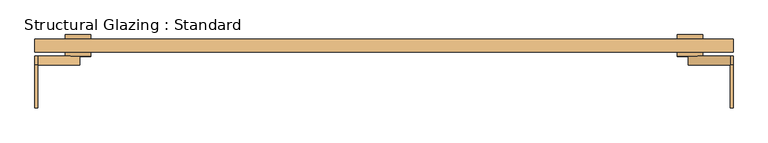
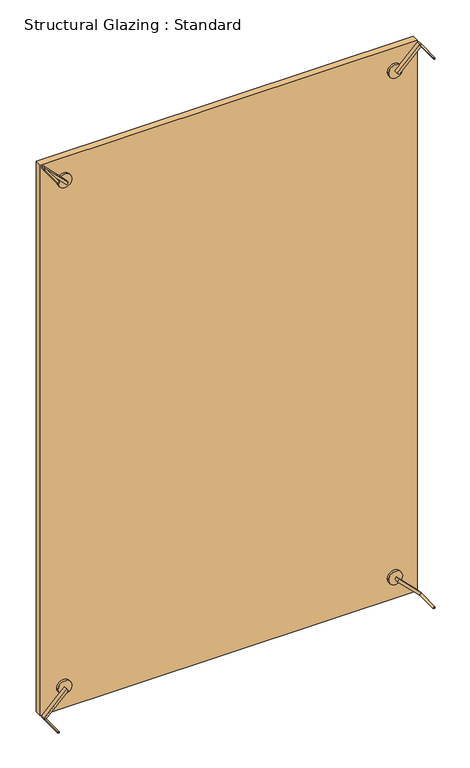
"""IFC4 building model written with IfcOpenShell, lengths in millimetres: door geometry, Structural Glazing : Standard."""

from ifc_helpers import new_model, si_unit, point, frame, frame_2d, origin, origin_with_axes, place, context, project, spatial, polyline, circle_curve, trimmed, segment, composite_curve, outline, extrude, source, transform, mapped, element, save


def structural_glazing_standard_7a084032(model_context):
    return source(origin(), model_context, "Body", "SweptSolid", [
        extrude(outline(composite_curve([segment(trimmed(circle_curve(frame_2d((100.0, 710.0)), 30.0), [point((100.0, 680.0))], [point((100.0, 740.0))], False, "CARTESIAN"), True, "CONTINUOUS"), segment(trimmed(circle_curve(frame_2d((100.0, 710.0)), 30.0), [point((100.0, 740.0))], [point((100.0, 680.0))], False, "CARTESIAN"), True, "CONTINUOUS")], self_intersect=False)), frame((0.0, -38.9615014, 0.0), z_axis=(0.0, 1.0, 0.0), x_axis=(0.0, 0.0, 1.0)), (0.0, 0.0, 1.0), 10.0),
        extrude(outline(composite_curve([segment(trimmed(circle_curve(frame_2d((100.0, -710.0)), 30.0), [point((100.0, -740.0))], [point((100.0, -680.0))], False, "CARTESIAN"), True, "CONTINUOUS"), segment(trimmed(circle_curve(frame_2d((100.0, -710.0)), 30.0), [point((100.0, -680.0))], [point((100.0, -740.0))], False, "CARTESIAN"), True, "CONTINUOUS")], self_intersect=False)), frame((0.0, -38.9615014, 0.0), z_axis=(0.0, 1.0, 0.0), x_axis=(0.0, 0.0, 1.0)), (0.0, 0.0, 1.0), 10.0),
        extrude(outline(composite_curve([segment(trimmed(circle_curve(frame_2d((2400.0, -710.0)), 30.0), [point((2400.0, -740.0))], [point((2400.0, -680.0))], False, "CARTESIAN"), True, "CONTINUOUS"), segment(trimmed(circle_curve(frame_2d((2400.0, -710.0)), 30.0), [point((2400.0, -680.0))], [point((2400.0, -740.0))], False, "CARTESIAN"), True, "CONTINUOUS")], self_intersect=False)), frame((0.0, -38.9615014, 0.0), z_axis=(0.0, 1.0, 0.0), x_axis=(0.0, 0.0, 1.0)), (0.0, 0.0, 1.0), 10.0),
        extrude(outline(composite_curve([segment(trimmed(circle_curve(frame_2d((2400.0, 710.0)), 30.0), [point((2400.0, 680.0))], [point((2400.0, 740.0))], False, "CARTESIAN"), True, "CONTINUOUS"), segment(trimmed(circle_curve(frame_2d((2400.0, 710.0)), 30.0), [point((2400.0, 740.0))], [point((2400.0, 680.0))], False, "CARTESIAN"), True, "CONTINUOUS")], self_intersect=False)), frame((0.0, -38.9615014, 0.0), z_axis=(0.0, 1.0, 0.0), x_axis=(0.0, 0.0, 1.0)), (0.0, 0.0, 1.0), 10.0),
        extrude(outline(composite_curve([segment(trimmed(circle_curve(frame_2d((100.0, -710.0)), 30.0), [point((100.0, -740.0))], [point((100.0, -680.0))], False, "CARTESIAN"), True, "CONTINUOUS"), segment(trimmed(circle_curve(frame_2d((100.0, -710.0)), 30.0), [point((100.0, -680.0))], [point((100.0, -740.0))], False, "CARTESIAN"), True, "CONTINUOUS")], self_intersect=False)), frame((0.0, 1.0384986, 0.0), z_axis=(0.0, 1.0, 0.0), x_axis=(0.0, 0.0, 1.0)), (0.0, 0.0, 1.0), 10.0),
        extrude(outline(composite_curve([segment(trimmed(circle_curve(frame_2d((100.0, 710.0)), 30.0), [point((100.0, 680.0))], [point((100.0, 740.0))], False, "CARTESIAN"), True, "CONTINUOUS"), segment(trimmed(circle_curve(frame_2d((100.0, 710.0)), 30.0), [point((100.0, 740.0))], [point((100.0, 680.0))], False, "CARTESIAN"), True, "CONTINUOUS")], self_intersect=False)), frame((0.0, 1.0384986, 0.0), z_axis=(0.0, 1.0, 0.0), x_axis=(0.0, 0.0, 1.0)), (0.0, 0.0, 1.0), 10.0),
        extrude(outline(composite_curve([segment(trimmed(circle_curve(frame_2d((2400.0, -710.0)), 30.0), [point((2400.0, -740.0))], [point((2400.0, -680.0))], False, "CARTESIAN"), True, "CONTINUOUS"), segment(trimmed(circle_curve(frame_2d((2400.0, -710.0)), 30.0), [point((2400.0, -680.0))], [point((2400.0, -740.0))], False, "CARTESIAN"), True, "CONTINUOUS")], self_intersect=False)), frame((0.0, 1.0384986, 0.0), z_axis=(0.0, 1.0, 0.0), x_axis=(0.0, 0.0, 1.0)), (0.0, 0.0, 1.0), 10.0),
        extrude(outline(composite_curve([segment(trimmed(circle_curve(frame_2d((2400.0, 710.0)), 30.0), [point((2400.0, 680.0))], [point((2400.0, 740.0))], False, "CARTESIAN"), True, "CONTINUOUS"), segment(trimmed(circle_curve(frame_2d((2400.0, 710.0)), 30.0), [point((2400.0, 740.0))], [point((2400.0, 680.0))], False, "CARTESIAN"), True, "CONTINUOUS")], self_intersect=False)), frame((0.0, 1.0384986, 0.0), z_axis=(0.0, 1.0, 0.0), x_axis=(0.0, 0.0, 1.0)), (0.0, 0.0, 1.0), 10.0),
        extrude(outline(polyline([(810.0, -28.9615014), (-810.0, -28.9615014), (-810.0, 1.0384986), (810.0, 1.0384986), (810.0, -28.9615014)])), origin_with_axes(), (0.0, 0.0, 1.0), 2500.0),
        extrude(outline(composite_curve([segment(polyline([(0.0, 810.0), (7.0710678, 810.0)]), True, "CONTINUOUS"), segment(trimmed(circle_curve(frame_2d((0.0, 810.0)), 7.0710678), [point((7.0710678, 810.0))], [point((0.0, 802.9289322))], False, "CARTESIAN"), True, "CONTINUOUS"), segment(polyline([(0.0, 802.9289322), (0.0, 810.0)]), True, "CONTINUOUS")], self_intersect=False)), frame((0.0, -158.9615014, 0.0), z_axis=(0.0, 1.0, 0.0), x_axis=(0.0, 0.0, 1.0)), (0.0, 0.0, 1.0), 100.0),
        extrude(outline(composite_curve([segment(polyline([(0.0, -810.0), (0.0, -802.9289322)]), True, "CONTINUOUS"), segment(trimmed(circle_curve(frame_2d((0.0, -810.0)), 7.0710678), [point((0.0, -802.9289322))], [point((7.0710678, -810.0))], False, "CARTESIAN"), True, "CONTINUOUS"), segment(polyline([(7.0710678, -810.0), (0.0, -810.0)]), True, "CONTINUOUS")], self_intersect=False)), frame((0.0, -158.9615014, 0.0), z_axis=(0.0, 1.0, 0.0), x_axis=(0.0, 0.0, 1.0)), (0.0, 0.0, 1.0), 100.0),
        extrude(outline(composite_curve([segment(polyline([(2500.0, 810.0), (2500.0, 802.9289322)]), True, "CONTINUOUS"), segment(trimmed(circle_curve(frame_2d((2500.0, 810.0)), 7.0710678), [point((2500.0, 802.9289322))], [point((2492.9289322, 810.0))], False, "CARTESIAN"), True, "CONTINUOUS"), segment(polyline([(2492.9289322, 810.0), (2500.0, 810.0)]), True, "CONTINUOUS")], self_intersect=False)), frame((0.0, -158.9615014, 0.0), z_axis=(0.0, 1.0, 0.0), x_axis=(0.0, 0.0, 1.0)), (0.0, 0.0, 1.0), 100.0),
        extrude(outline(composite_curve([segment(polyline([(2500.0, -802.9289322), (2500.0, -810.0), (2492.9289322, -810.0)]), True, "CONTINUOUS"), segment(trimmed(circle_curve(frame_2d((2500.0, -810.0)), 7.0710678), [point((2492.9289322, -810.0))], [point((2500.0, -802.9289322))], False, "CARTESIAN"), True, "CONTINUOUS")], self_intersect=False)), frame((0.0, -158.9615014, 0.0), z_axis=(0.0, 1.0, 0.0), x_axis=(0.0, 0.0, 1.0)), (0.0, 0.0, 1.0), 100.0),
        extrude(outline(polyline([(103.5355339, 713.5355339), (96.4644661, 706.4644661), (0.0, 802.9289322), (0.0, 810.0), (7.0710678, 810.0), (103.5355339, 713.5355339)])), frame((0.0, -58.9615014, 0.0), z_axis=(0.0, 1.0, 0.0), x_axis=(0.0, 0.0, 1.0)), (0.0, 0.0, 1.0), 20.0),
        extrude(outline(polyline([(0.0, -810.0), (0.0, -802.9289322), (96.4644661, -706.4644661), (103.5355339, -713.5355339), (7.0710678, -810.0), (0.0, -810.0)])), frame((0.0, -58.9615014, 0.0), z_axis=(0.0, 1.0, 0.0), x_axis=(0.0, 0.0, 1.0)), (0.0, 0.0, 1.0), 20.0),
        extrude(outline(polyline([(2500.0, -802.9289322), (2500.0, -810.0), (2492.9289322, -810.0), (2396.4644661, -713.5355339), (2403.5355339, -706.4644661), (2500.0, -802.9289322)])), frame((0.0, -58.9615014, 0.0), z_axis=(0.0, 1.0, 0.0), x_axis=(0.0, 0.0, 1.0)), (0.0, 0.0, 1.0), 20.0),
        extrude(outline(polyline([(2500.0, 802.9289322), (2403.5355339, 706.4644661), (2396.4644661, 713.5355339), (2492.9289322, 810.0), (2500.0, 810.0), (2500.0, 802.9289322)])), frame((0.0, -58.9615014, 0.0), z_axis=(0.0, 1.0, 0.0), x_axis=(0.0, 0.0, 1.0)), (0.0, 0.0, 1.0), 20.0),
    ])


if __name__ == "__main__":
    model = new_model("IFC4")
    model_context = context("Model", 3, world=origin())
    ifc_project = project(units=[si_unit("LENGTHUNIT", "METRE", prefix="MILLI")], contexts=[model_context])
    site = spatial("IfcSite", under=ifc_project)
    building = spatial("IfcBuilding", under=site)
    placement = place(None, origin())
    structural_glazing_standard_shape = structural_glazing_standard_7a084032(model_context)
    element("IfcDoor", 1, ObjectType="Structural Glazing : Standard", at=placement, inside=building, context=model_context, shape_type="MappedRepresentation", body=[
        mapped(structural_glazing_standard_shape, transform((0.0, 0.0, 0.0), x_axis=(1.0, 0.0, 0.0), y_axis=(0.0, 1.0, 0.0), z_axis=(0.0, 0.0, 1.0))),
    ])
    save(model, "model.ifc")
